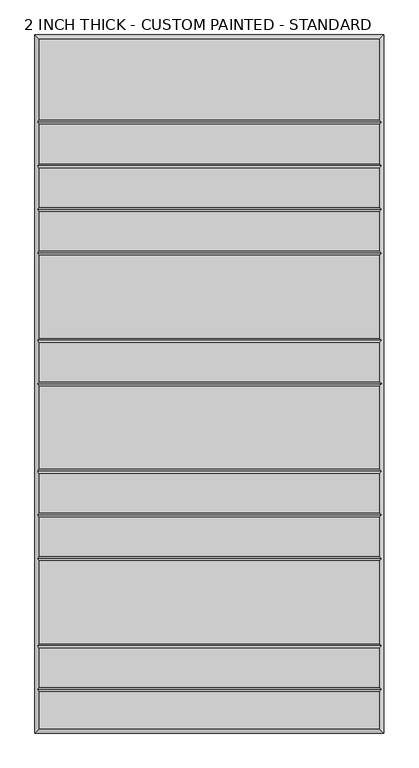
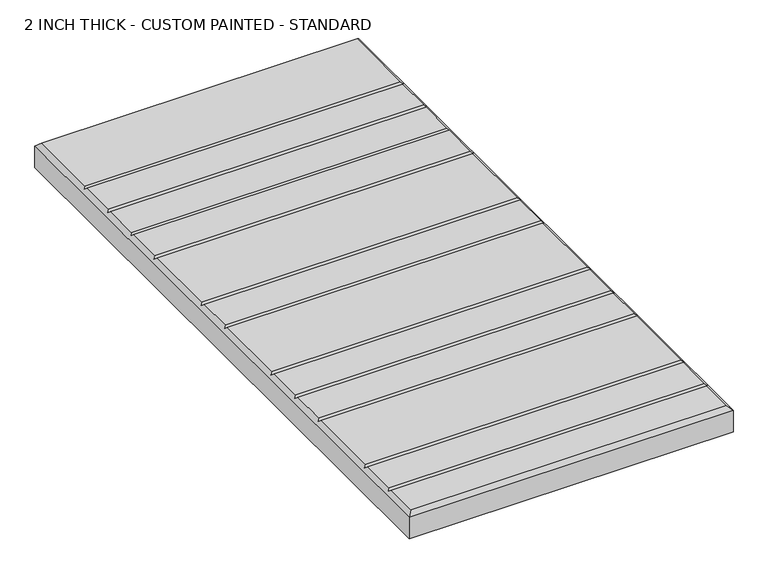
"""IFC4 building model written with IfcOpenShell, lengths in millimetres: proxy geometry, 2 INCH THICK - CUSTOM PAINTED - STANDARD."""

from ifc_helpers import new_model, si_unit, origin, place, context, project, spatial, faceted_brep, source, transform, mapped, element, save


def proxy_2_inch_thick_custom_painted_standard_ee844717(model_context):
    return source(origin(), model_context, "Body", "Brep", [
        faceted_brep([(296.799, 601.599, 50.8), (-296.799, 601.599, 50.8), (-296.799, 461.2005, 50.8), (296.799, 461.2005, 50.8), (-296.799, -601.599, 50.8), (296.799, -601.599, 50.8), (296.799, -537.4005, 50.8), (-296.799, -537.4005, 50.8), (296.799, 376.9995, 50.8), (-296.799, 376.9995, 50.8), (-296.799, 308.8005, 50.8), (296.799, 308.8005, 50.8), (-296.799, 385.0005, 50.8), (296.799, 385.0005, 50.8), (296.799, 453.1995, 50.8), (-296.799, 453.1995, 50.8), (296.799, 300.7995, 50.8), (-296.799, 300.7995, 50.8), (-296.799, 232.6005, 50.8), (296.799, 232.6005, 50.8), (296.799, 224.5995, 50.8), (-296.799, 224.5995, 50.8), (-296.799, 80.2005, 50.8), (296.799, 80.2005, 50.8), (296.799, 72.1995, 50.8), (-296.799, 72.1995, 50.8), (-296.799, 4.0005, 50.8), (296.799, 4.0005, 50.8), (296.799, -4.0005, 50.8), (-296.799, -4.0005, 50.8), (-296.799, -148.3995, 50.8), (296.799, -148.3995, 50.8), (296.799, -156.4005, 50.8), (-296.799, -156.4005, 50.8), (-296.799, -224.5995, 50.8), (296.799, -224.5995, 50.8), (296.799, -232.6005, 50.8), (-296.799, -232.6005, 50.8), (-296.799, -300.7995, 50.8), (296.799, -300.7995, 50.8), (296.799, -308.8005, 50.8), (-296.799, -308.8005, 50.8), (-296.799, -453.1995, 50.8), (296.799, -453.1995, 50.8), (296.799, -461.2005, 50.8), (-296.799, -461.2005, 50.8), (-296.799, -529.3995, 50.8), (296.799, -529.3995, 50.8), (-304.8, 609.6, 0.0), (304.8, 609.6, 0.0), (304.8, -609.6, 0.0), (-304.8, -609.6, 0.0), (-304.8, -609.6, 42.799), (-304.8, 609.6, 42.799), (304.8, -609.6, 42.799), (304.8, 609.6, 42.799), (-300.7995, -533.4, 46.7995), (-300.7995, -457.2, 46.7995), (-300.7995, -304.8, 46.7995), (-300.7995, -228.6, 46.7995), (-300.7995, -152.4, 46.7995), (-300.7995, 0.0, 46.7995), (-300.7995, 76.2, 46.7995), (-300.7995, 228.6, 46.7995), (-300.7995, 304.8, 46.7995), (-300.7995, 381.0, 46.7995), (-300.7995, 457.2, 46.7995), (300.7995, 457.2, 46.7995), (300.7995, 381.0, 46.7995), (300.7995, 304.8, 46.7995), (300.7995, 228.6, 46.7995), (300.7995, 76.2, 46.7995), (300.7995, 0.0, 46.7995), (300.7995, -152.4, 46.7995), (300.7995, -228.6, 46.7995), (300.7995, -304.8, 46.7995), (300.7995, -457.2, 46.7995), (300.7995, -533.4, 46.7995)], [[[0, 1, 2, 3]], [[4, 5, 6, 7]], [[8, 9, 10, 11]], [[12, 13, 14, 15]], [[16, 17, 18, 19]], [[20, 21, 22, 23]], [[24, 25, 26, 27]], [[28, 29, 30, 31]], [[32, 33, 34, 35]], [[36, 37, 38, 39]], [[40, 41, 42, 43]], [[44, 45, 46, 47]], [[48, 49, 50, 51]], [[48, 51, 52, 53]], [[51, 50, 54, 52]], [[50, 49, 55, 54]], [[49, 48, 53, 55]], [[53, 1, 0, 55]], [[1, 53, 52, 4, 7, 56, 46, 45, 57, 42, 41, 58, 38, 37, 59, 34, 33, 60, 30, 29, 61, 26, 25, 62, 22, 21, 63, 18, 17, 64, 10, 9, 65, 12, 15, 66, 2]], [[4, 52, 54, 5]], [[55, 0, 3, 67, 14, 13, 68, 8, 11, 69, 16, 19, 70, 20, 23, 71, 24, 27, 72, 28, 31, 73, 32, 35, 74, 36, 39, 75, 40, 43, 76, 44, 47, 77, 6, 5, 54]], [[68, 65, 9, 8]], [[65, 68, 13, 12]], [[69, 64, 17, 16]], [[64, 69, 11, 10]], [[70, 63, 21, 20]], [[63, 70, 19, 18]], [[71, 62, 25, 24]], [[62, 71, 23, 22]], [[72, 61, 29, 28]], [[61, 72, 27, 26]], [[73, 60, 33, 32]], [[60, 73, 31, 30]], [[74, 59, 37, 36]], [[59, 74, 35, 34]], [[75, 58, 41, 40]], [[58, 75, 39, 38]], [[76, 57, 45, 44]], [[57, 76, 43, 42]], [[77, 56, 7, 6]], [[56, 77, 47, 46]], [[67, 66, 15, 14]], [[66, 67, 3, 2]]]),
    ])


if __name__ == "__main__":
    model = new_model("IFC4")
    model_context = context("Model", 3, world=origin())
    ifc_project = project(units=[si_unit("LENGTHUNIT", "METRE", prefix="MILLI")], contexts=[model_context])
    site = spatial("IfcSite", under=ifc_project)
    building = spatial("IfcBuilding", under=site)
    placement = place(None, origin())
    proxy_2_inch_thick_custom_painted_standard_shape = proxy_2_inch_thick_custom_painted_standard_ee844717(model_context)
    element("IfcBuildingElementProxy", 1, Name="2 INCH THICK - CUSTOM PAINTED - STANDARD", ObjectType="2 INCH THICK - CUSTOM PAINTED - STANDARD", at=placement, inside=building, context=model_context, shape_type="MappedRepresentation", body=[
        mapped(proxy_2_inch_thick_custom_painted_standard_shape, transform((0.0, 0.0, 0.0), x_axis=(1.0, 0.0, 0.0), y_axis=(0.0, 1.0, 0.0), z_axis=(0.0, 0.0, 1.0))),
    ])
    save(model, "model.ifc")
